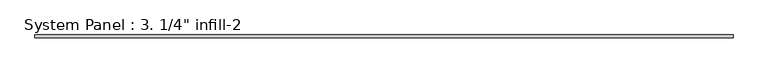
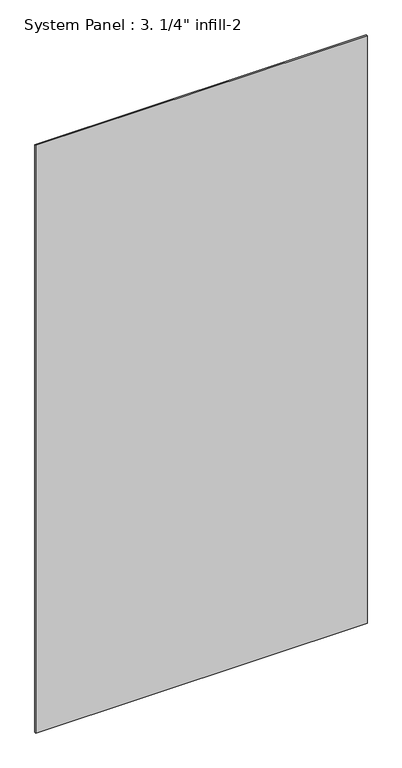
"""IFC4 building model written with IfcOpenShell, lengths in millimetres: plate geometry."""

import ifcopenshell
import ifcopenshell.guid

model = None  # the IFC model being written
_history = None  # IfcOwnerHistory: only IFC2X3 demands one
_inside = {}  # id of a spatial element -> (the spatial element, [elements in it])
_under = {}  # id of a project, library or spatial element -> (it, [spatial elements below it])
_declared = {}  # id of a project -> (the project, [libraries it declares])
_typed = {}  # id of a type object -> (the type object, [elements of that type])
_made_of = {}  # id of a material, layer set ... -> (it, [elements and type objects made of it])


def new_model(schema):
    """Start an empty IFC model of exactly this schema.

    Asked for "IFC4X3", IfcOpenShell would pick the latest addendum, in which some entities
    have other attributes; the version numbers below select the first issue.
    IFC2X3 requires an IfcOwnerHistory on every rooted entity: one is made here for all.
    """
    global model, _history
    if schema == "IFC4X3":
        model = ifcopenshell.file(schema_version=(4, 3, 0, 0))
    else:
        model = ifcopenshell.file(schema=schema)
    _inside.clear()
    _under.clear()
    _declared.clear()
    _typed.clear()
    _made_of.clear()
    _history = None
    if model.schema == "IFC2X3":
        org = make("IfcOrganization", Name="unknown")
        user = make(
            "IfcPersonAndOrganization",
            ThePerson=make("IfcPerson", FamilyName="unknown"),
            TheOrganization=org,
        )
        app = make(
            "IfcApplication",
            ApplicationDeveloper=org,
            Version="unknown",
            ApplicationFullName="unknown",
            ApplicationIdentifier="unknown",
        )
        _history = make(
            "IfcOwnerHistory",
            OwningUser=user,
            OwningApplication=app,
            ChangeAction="ADDED",
            CreationDate=0,
        )
    return model


def make(cls, **values):
    """One entity of the class cls with the attributes given. An attribute that is None is left unset."""
    return model.create_entity(
        cls, **{name: value for name, value in values.items() if value is not None}
    )


def rooted(cls, **values):
    """An entity with a GlobalId (a new one), such as an element, a storey or a relation."""
    return make(cls, GlobalId=ifcopenshell.guid.new(), OwnerHistory=_history, **values)


def si_unit(unit_type, name, prefix=None):
    """IfcSIUnit, for example si_unit("LENGTHUNIT", "METRE", prefix="MILLI")."""
    return make("IfcSIUnit", UnitType=unit_type, Prefix=prefix, Name=name)


def assignment(units):
    """IfcUnitAssignment: the units of a project."""
    return None if units is None else make("IfcUnitAssignment", Units=units)


def point(xyz):
    """IfcCartesianPoint."""
    return None if xyz is None else make("IfcCartesianPoint", Coordinates=xyz)


def direction(xyz):
    """IfcDirection."""
    return None if xyz is None else make("IfcDirection", DirectionRatios=xyz)


def frame(location, z_axis=None, x_axis=None):
    """IfcAxis2Placement3D, a coordinate frame: its origin and axes. An axis left out is left unset."""
    return make(
        "IfcAxis2Placement3D",
        Location=point(location),
        Axis=direction(z_axis),
        RefDirection=direction(x_axis),
    )


def origin():
    """The frame at (0, 0, 0) with its axes left unset."""
    return frame((0.0, 0.0, 0.0))


def origin_with_axes():
    """The frame at (0, 0, 0) with the z axis (0, 0, 1) and the x axis (1, 0, 0) written out."""
    return frame((0.0, 0.0, 0.0), z_axis=(0.0, 0.0, 1.0), x_axis=(1.0, 0.0, 0.0))


def place(relative_to, where):
    """IfcLocalPlacement: puts the frame where relative to a parent placement (None: the world)."""
    return make(
        "IfcLocalPlacement", PlacementRelTo=relative_to, RelativePlacement=where
    )


def context(
    kind, dimensions, precision=None, world=None, true_north=None, identifier=None
):
    """IfcGeometricRepresentationContext, for example the 3D "Model" context."""
    return make(
        "IfcGeometricRepresentationContext",
        ContextIdentifier=identifier,
        ContextType=kind,
        CoordinateSpaceDimension=dimensions,
        Precision=precision,
        WorldCoordinateSystem=world,
        TrueNorth=true_north,
    )


def project(units=None, contexts=None):
    """IfcProject with its units and contexts."""
    return rooted(
        "IfcProject",
        Name="project",
        RepresentationContexts=contexts,
        UnitsInContext=assignment(units),
    )


def spatial(cls, under=None, at=None, **own):
    """A site, building, storey or space (cls), placed at a placement, below another one or the project."""
    s = rooted(cls, ObjectPlacement=at, **own)
    if under is not None:
        _under.setdefault(under.id(), (under, []))[1].append(s)
    return s


def polyline(points):
    """IfcPolyline through the points."""
    return make("IfcPolyline", Points=[point(p) for p in points])


def outline(outer, holes=None, kind="AREA"):
    """IfcArbitraryClosedProfileDef: a profile drawn as a closed curve; with holes, ...WithVoids."""
    if holes is None:
        return make("IfcArbitraryClosedProfileDef", ProfileType=kind, OuterCurve=outer)
    return make(
        "IfcArbitraryProfileDefWithVoids",
        ProfileType=kind,
        OuterCurve=outer,
        InnerCurves=holes,
    )


def extrude(swept, where, along, depth):
    """IfcExtrudedAreaSolid: the profile swept, set in the frame where, extruded along a direction by depth."""
    return make(
        "IfcExtrudedAreaSolid",
        SweptArea=swept,
        Position=where,
        ExtrudedDirection=direction(along),
        Depth=depth,
    )


def shape(context_of_items, identifier, shape_type, items):
    """IfcShapeRepresentation: the items that make up one representation, for example the "Body"."""
    return make(
        "IfcShapeRepresentation",
        ContextOfItems=context_of_items,
        RepresentationIdentifier=identifier,
        RepresentationType=shape_type,
        Items=items,
    )


def source(mapping_origin, context_of_items, identifier, shape_type, items):
    """IfcRepresentationMap: a shape defined once, which mapped items show again and again."""
    return make(
        "IfcRepresentationMap",
        MappingOrigin=mapping_origin,
        MappedRepresentation=shape(context_of_items, identifier, shape_type, items),
    )


def transform(
    local_origin,
    x_axis=None,
    y_axis=None,
    z_axis=None,
    scale=None,
    scale2=None,
    scale3=None,
    uniform=True,
):
    """IfcCartesianTransformationOperator3D, or its non-uniform kind. x_axis, y_axis, z_axis: its Axis1, 2, 3."""
    if uniform:
        return make(
            "IfcCartesianTransformationOperator3D",
            Axis1=direction(x_axis),
            Axis2=direction(y_axis),
            LocalOrigin=point(local_origin),
            Scale=scale,
            Axis3=direction(z_axis),
        )
    return make(
        "IfcCartesianTransformationOperator3DnonUniform",
        Axis1=direction(x_axis),
        Axis2=direction(y_axis),
        LocalOrigin=point(local_origin),
        Scale=scale,
        Axis3=direction(z_axis),
        Scale2=scale2,
        Scale3=scale3,
    )


def mapped(mapping_source, mapping_target):
    """IfcMappedItem: shows the shape of a source again, moved by a transform."""
    return make(
        "IfcMappedItem", MappingSource=mapping_source, MappingTarget=mapping_target
    )


def made_of(thing, what):
    """Note that an element or type object is made of a material, layer set ...; save() writes the relation."""
    if what is not None:
        _made_of.setdefault(what.id(), (what, []))[1].append(thing)
    return thing


def element(
    cls,
    number,
    at=None,
    inside=None,
    cuts=None,
    type_object=None,
    material=None,
    context=None,
    identifier="Body",
    shape_type=None,
    held_by="IfcProductDefinitionShape",
    body=None,
    shapes=None,
    **own,
):
    """One element of the class cls, such as IfcWall. Its Tag is "e" and its number.

    at: its placement. inside: the storey or other place that contains it. cuts: it is an
    opening in that element (IfcRelVoidsElement). A single representation is given by context,
    identifier, shape_type and body (its items); several are given by shapes. held_by: the class
    of the entity that holds the representations. save() writes the other relations.
    """
    e = rooted(cls, Tag="e%d" % number, ObjectPlacement=at, **own)
    if body is not None:
        shapes = [shape(context, identifier, shape_type, body)]
    if shapes is not None:
        e.Representation = make(held_by, Representations=shapes)
    if inside is not None:
        _inside.setdefault(inside.id(), (inside, []))[1].append(e)
    if cuts is not None:
        rooted(
            "IfcRelVoidsElement", RelatingBuildingElement=cuts, RelatedOpeningElement=e
        )
    if type_object is not None:
        _typed.setdefault(type_object.id(), (type_object, []))[1].append(e)
    return made_of(e, material)


def aggregate(whole, parts):
    """IfcRelAggregates: a whole, such as a stair, and the parts it consists of."""
    return rooted("IfcRelAggregates", RelatingObject=whole, RelatedObjects=parts)


def save(model, path):
    """Write the relations noted so far, then the file.

    IfcRelAggregates (storeys below a building ...), IfcRelContainedInSpatialStructure (elements
    in a storey), IfcRelDefinesByType, IfcRelAssociatesMaterial and IfcRelDeclares: one each for
    every whole, place, type object, material and project.
    """
    for whole, parts in _under.values():
        aggregate(whole, parts)
    for where, things in _inside.values():
        rooted(
            "IfcRelContainedInSpatialStructure",
            RelatedElements=things,
            RelatingStructure=where,
        )
    for kind, things in _typed.values():
        rooted("IfcRelDefinesByType", RelatedObjects=things, RelatingType=kind)
    for what, things in _made_of.values():
        rooted("IfcRelAssociatesMaterial", RelatedObjects=things, RelatingMaterial=what)
    for by, libraries in _declared.values():
        rooted("IfcRelDeclares", RelatingContext=by, RelatedDefinitions=libraries)
    model.write(path)


def plate_75deea3e(model_context):
    return source(origin(), model_context, "Body", "SweptSolid", [
        extrude(outline(polyline([(812.8, 0.0), (-812.8, 0.0), (-812.8, 6.35), (812.8, 6.35), (812.8, 0.0)])), origin_with_axes(), (0.0, 0.0, 1.0), 3048.0),
    ])


if __name__ == "__main__":
    model = new_model("IFC4")
    model_context = context("Model", 3, world=origin())
    ifc_project = project(units=[si_unit("LENGTHUNIT", "METRE", prefix="MILLI")], contexts=[model_context])
    site = spatial("IfcSite", under=ifc_project)
    building = spatial("IfcBuilding", under=site)
    placement = place(None, origin())
    plate_shape = plate_75deea3e(model_context)
    element("IfcPlate", 1, ObjectType="System Panel : 3. 1/4\" infill-2", at=placement, inside=building, context=model_context, shape_type="MappedRepresentation", body=[
        mapped(plate_shape, transform((0.0, 0.0, 0.0), x_axis=(1.0, 0.0, 0.0), y_axis=(0.0, 1.0, 0.0), z_axis=(0.0, 0.0, 1.0))),
    ])
    save(model, "model.ifc")
